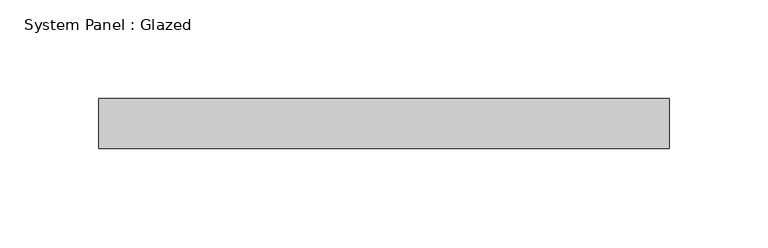
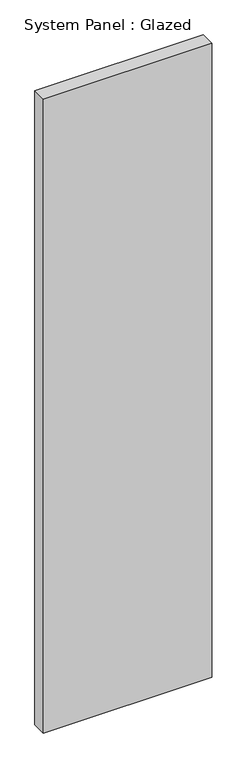
"""IFC4 building model written with IfcOpenShell, lengths in millimetres: plate geometry, System Panel : Glazed."""

from ifc_helpers import new_model, si_unit, origin, origin_with_axes, place, context, project, spatial, polyline, outline, extrude, source, transform, mapped, element, save


def system_panel_glazed_5094b730(model_context):
    return source(origin(), model_context, "Body", "SweptSolid", [
        extrude(outline(polyline([(144.4625, -12.7), (-144.4625, -12.7), (-144.4625, 12.7), (144.4625, 12.7), (144.4625, -12.7)])), origin_with_axes(), (0.0, 0.0, 1.0), 1149.35),
    ])


if __name__ == "__main__":
    model = new_model("IFC4")
    model_context = context("Model", 3, world=origin())
    ifc_project = project(units=[si_unit("LENGTHUNIT", "METRE", prefix="MILLI")], contexts=[model_context])
    site = spatial("IfcSite", under=ifc_project)
    building = spatial("IfcBuilding", under=site)
    placement = place(None, origin())
    system_panel_glazed_shape = system_panel_glazed_5094b730(model_context)
    element("IfcPlate", 1, ObjectType="System Panel : Glazed", at=placement, inside=building, context=model_context, shape_type="MappedRepresentation", body=[
        mapped(system_panel_glazed_shape, transform((0.0, 0.0, 0.0), x_axis=(1.0, 0.0, 0.0), y_axis=(0.0, 1.0, 0.0), z_axis=(0.0, 0.0, 1.0))),
    ])
    save(model, "model.ifc")
